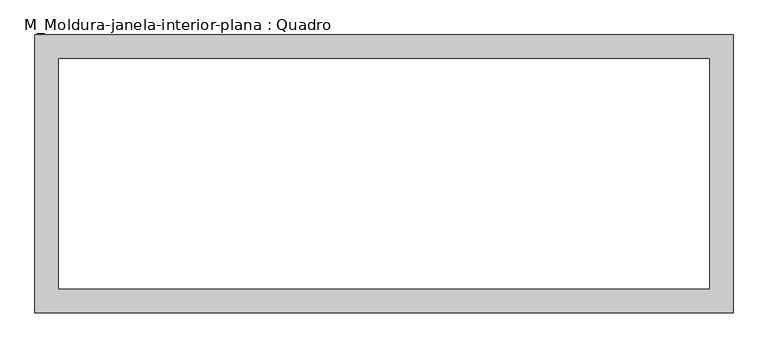
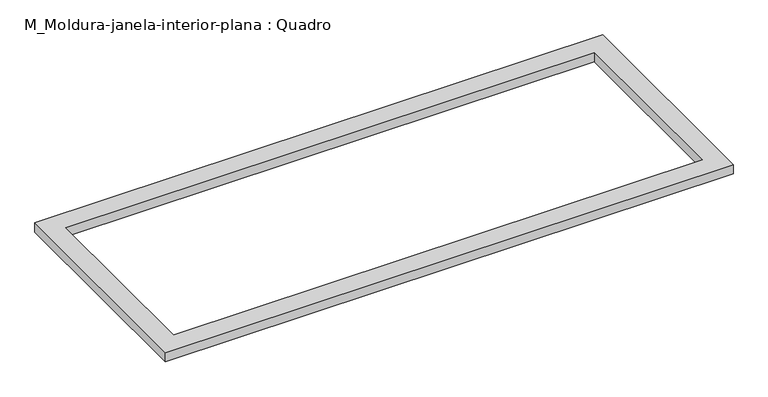
"""IFC4 building model written with IfcOpenShell, lengths in millimetres: proxy geometry, M_Moldura-janela-interior-plana : Quadro."""

from ifc_helpers import new_model, si_unit, origin, origin_with_axes, place, context, project, spatial, polyline, outline, extrude, source, transform, mapped, element, save


def m_moldura_janela_interior_plana_quadro_f8996e57(model_context):
    return source(origin(), model_context, "Body", "SweptSolid", [
        extrude(outline(polyline([(872.3, -47.3), (-872.3, -47.3), (-872.3, 647.3), (872.3, 647.3), (872.3, -47.3)]), holes=[polyline([(812.3, 12.7), (812.3, 587.3), (-812.3, 587.3), (-812.3, 12.7), (812.3, 12.7)])]), origin_with_axes(), (0.0, 0.0, 1.0), 30.0),
    ])


if __name__ == "__main__":
    model = new_model("IFC4")
    model_context = context("Model", 3, world=origin())
    ifc_project = project(units=[si_unit("LENGTHUNIT", "METRE", prefix="MILLI")], contexts=[model_context])
    site = spatial("IfcSite", under=ifc_project)
    building = spatial("IfcBuilding", under=site)
    placement = place(None, origin())
    m_moldura_janela_interior_plana_quadro_shape = m_moldura_janela_interior_plana_quadro_f8996e57(model_context)
    element("IfcBuildingElementProxy", 1, Name="M_Moldura-janela-interior-plana : Quadro", ObjectType="M_Moldura-janela-interior-plana : Quadro", at=placement, inside=building, context=model_context, shape_type="MappedRepresentation", body=[
        mapped(m_moldura_janela_interior_plana_quadro_shape, transform((0.0, 0.0, 0.0), x_axis=(1.0, 0.0, 0.0), y_axis=(0.0, 1.0, 0.0), z_axis=(0.0, 0.0, 1.0))),
    ])
    save(model, "model.ifc")
